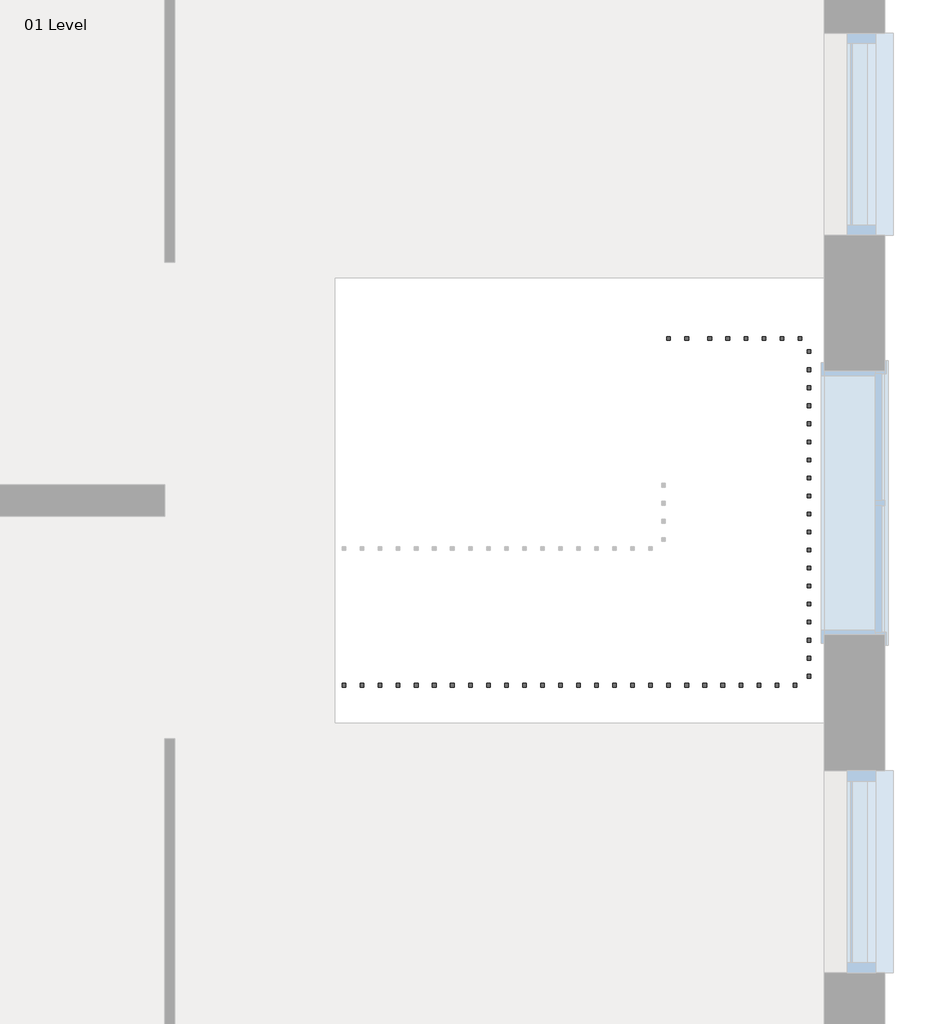
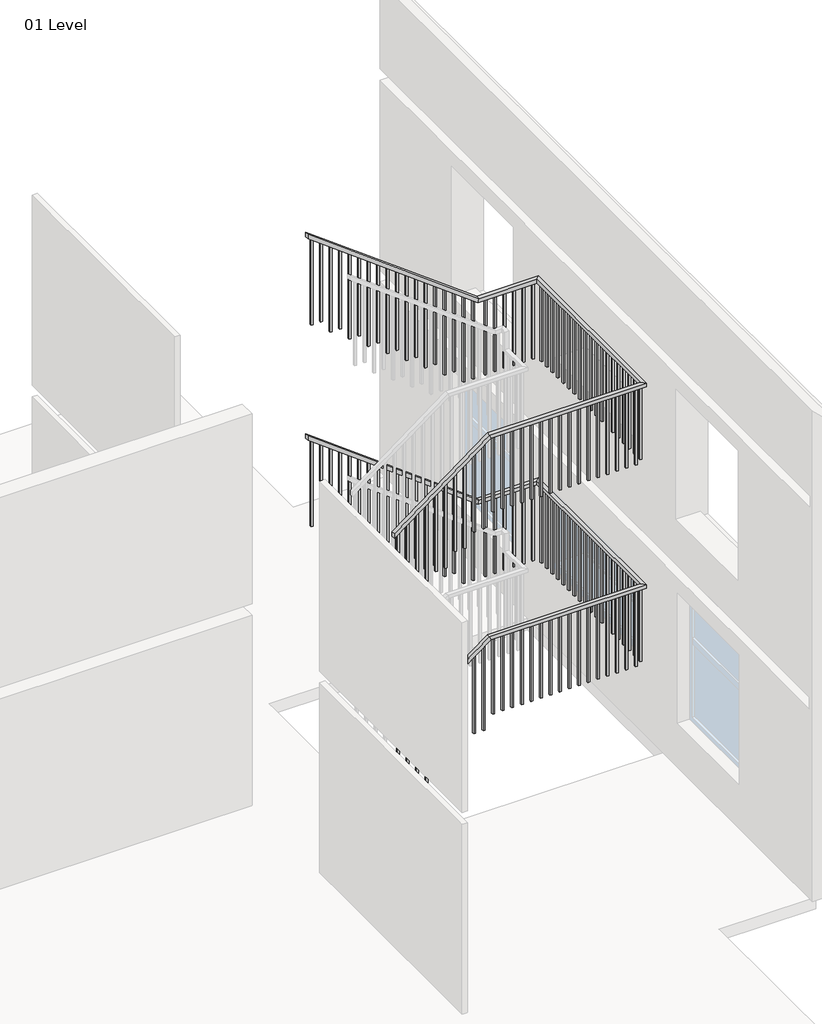
# One storey, part 3 of 4: 1 railing.
"""IFC4 building model written with IfcOpenShell, lengths in millimetres."""

from ifc_helpers import new_model, si_unit, frame, origin, place, context, project, spatial, polyline, outline, extrude, faceted_brep, element, save

model = new_model("IFC4")

# Units and contexts
model_context = context("Model", 3, world=origin())
ifc_project = project(units=[si_unit("LENGTHUNIT", "METRE", prefix="MILLI")], contexts=[model_context])

# Site, building, storey
site = spatial("IfcSite", under=ifc_project)
building = spatial("IfcBuilding", under=site)
storey = spatial("IfcBuildingStorey", under=building, Name="01 Level", Elevation=2600.0)

# Railing
placement = place(None, origin())
element("IfcRailing", 1, ObjectType="1100mm", at=placement, inside=storey, context=model_context, shape_type="SolidModel", body=[
    faceted_brep([(-224658.2260772, -43739.9584255, 6686.6666667), (-224658.2260772, -43739.9584255, 6624.2665242), (-224658.2260772, -43789.9584255, 6624.2665242), (-224658.2260772, -43789.9584255, 6686.6666667), (-223408.2260772, -43739.9584255, 7620.0), (-223391.6187436, -43739.9584255, 7570.0), (-223391.6187436, -43789.9584255, 7570.0), (-223408.2260772, -43789.9584255, 7620.0), (-221398.6260772, -43739.9584255, 7620.0), (-221398.6260772, -43739.9584255, 7570.0), (-221348.6260772, -43789.9584255, 7570.0), (-221348.6260772, -43789.9584255, 7620.0), (-221398.6260772, -41387.4873182, 7620.0), (-221398.6260772, -41387.4873182, 7570.0), (-221348.6260772, -41337.4873182, 7570.0), (-221348.6260772, -41337.4873182, 7620.0), (-222158.2260772, -41387.4873182, 7620.0), (-222174.8334109, -41387.4873182, 7570.0), (-222174.8334109, -41337.4873182, 7570.0), (-222158.2260772, -41337.4873182, 7620.0), (-224408.2260772, -41387.4873182, 9300.0), (-224408.2260772, -41337.4873182, 9300.0), (-224408.2260772, -41337.4873182, 9237.5998576), (-224408.2260772, -41387.4873182, 9237.5998576)], [[[0, 1, 2, 3]], [[1, 0, 4, 5]], [[2, 1, 5, 6]], [[3, 2, 6, 7]], [[0, 3, 7, 4]], [[5, 4, 8, 9]], [[6, 5, 9, 10]], [[7, 6, 10, 11]], [[4, 7, 11, 8]], [[9, 8, 12, 13]], [[10, 9, 13, 14]], [[11, 10, 14, 15]], [[8, 11, 15, 12]], [[13, 12, 16, 17]], [[14, 13, 17, 18]], [[15, 14, 18, 19]], [[12, 15, 19, 16]], [[20, 21, 22, 23]], [[17, 16, 20, 23]], [[18, 17, 23, 22]], [[19, 18, 22, 21]], [[16, 19, 21, 20]]]),
    faceted_brep([(-224658.2260772, -43739.9584255, 3886.6666666), (-224658.2260772, -43739.9584255, 3824.2665242), (-224658.2260772, -43789.9584255, 3824.2665242), (-224658.2260772, -43789.9584255, 3886.6666666), (-223408.2260772, -43739.9584255, 4820.0), (-223391.6187436, -43739.9584255, 4770.0), (-223391.6187436, -43789.9584255, 4770.0), (-223408.2260772, -43789.9584255, 4820.0), (-221398.6260772, -43739.9584255, 4820.0), (-221398.6260772, -43739.9584255, 4770.0), (-221348.6260772, -43789.9584255, 4770.0), (-221348.6260772, -43789.9584255, 4820.0), (-221398.6260772, -41387.4873182, 4820.0), (-221398.6260772, -41387.4873182, 4770.0), (-221348.6260772, -41337.4873182, 4770.0), (-221348.6260772, -41337.4873182, 4820.0), (-222158.2260772, -41387.4873182, 4820.0), (-222174.8334109, -41387.4873182, 4770.0), (-222174.8334109, -41337.4873182, 4770.0), (-222158.2260772, -41337.4873182, 4820.0), (-224408.2260772, -41387.4873182, 6500.0), (-224408.2260772, -41337.4873182, 6500.0), (-224408.2260772, -41337.4873182, 6437.5998575), (-224408.2260772, -41387.4873182, 6437.5998575)], [[[0, 1, 2, 3]], [[1, 0, 4, 5]], [[2, 1, 5, 6]], [[3, 2, 6, 7]], [[0, 3, 7, 4]], [[5, 4, 8, 9]], [[6, 5, 9, 10]], [[7, 6, 10, 11]], [[4, 7, 11, 8]], [[9, 8, 12, 13]], [[10, 9, 13, 14]], [[11, 10, 14, 15]], [[8, 11, 15, 12]], [[13, 12, 16, 17]], [[14, 13, 17, 18]], [[15, 14, 18, 19]], [[12, 15, 19, 16]], [[20, 21, 22, 23]], [[17, 16, 20, 23]], [[18, 17, 23, 22]], [[19, 18, 22, 21]], [[16, 19, 21, 20]]]),
    extrude(outline(polyline([(8013.3333333, -224333.2260772), (9181.5998576, -224333.2260772), (9200.2665242, -224358.2260772), (8013.3333333, -224358.2260772), (8013.3333333, -224333.2260772)])), frame((0.0, -41374.9873182, 0.0), z_axis=(0.0, 1.0, 0.0), x_axis=(0.0, 0.0, 1.0)), (0.0, 0.0, 1.0), 25.0),
    extrude(outline(polyline([(8013.3333333, -224208.2260772), (9088.2665242, -224208.2260772), (9106.9331909, -224233.2260772), (8013.3333333, -224233.2260772), (8013.3333333, -224208.2260772)])), frame((0.0, -41374.9873182, 0.0), z_axis=(0.0, 1.0, 0.0), x_axis=(0.0, 0.0, 1.0)), (0.0, 0.0, 1.0), 25.0),
    extrude(outline(polyline([(7826.6666667, -224083.2260772), (8994.9331909, -224083.2260772), (9013.5998576, -224108.2260772), (7826.6666667, -224108.2260772), (7826.6666667, -224083.2260772)])), frame((0.0, -41374.9873182, 0.0), z_axis=(0.0, 1.0, 0.0), x_axis=(0.0, 0.0, 1.0)), (0.0, 0.0, 1.0), 25.0),
    extrude(outline(polyline([(7826.6666667, -223958.2260772), (8901.5998576, -223958.2260772), (8920.2665242, -223983.2260772), (7826.6666667, -223983.2260772), (7826.6666667, -223958.2260772)])), frame((0.0, -41374.9873182, 0.0), z_axis=(0.0, 1.0, 0.0), x_axis=(0.0, 0.0, 1.0)), (0.0, 0.0, 1.0), 25.0),
    extrude(outline(polyline([(7640.0, -223833.2260772), (8808.2665242, -223833.2260772), (8826.9331909, -223858.2260772), (7640.0, -223858.2260772), (7640.0, -223833.2260772)])), frame((0.0, -41374.9873182, 0.0), z_axis=(0.0, 1.0, 0.0), x_axis=(0.0, 0.0, 1.0)), (0.0, 0.0, 1.0), 25.0),
    extrude(outline(polyline([(7640.0, -223708.2260772), (8714.9331909, -223708.2260772), (8733.5998576, -223733.2260772), (7640.0, -223733.2260772), (7640.0, -223708.2260772)])), frame((0.0, -41374.9873182, 0.0), z_axis=(0.0, 1.0, 0.0), x_axis=(0.0, 0.0, 1.0)), (0.0, 0.0, 1.0), 25.0),
    extrude(outline(polyline([(7453.3333333, -223583.2260772), (8621.5998576, -223583.2260772), (8640.2665242, -223608.2260772), (7453.3333333, -223608.2260772), (7453.3333333, -223583.2260772)])), frame((0.0, -41374.9873182, 0.0), z_axis=(0.0, 1.0, 0.0), x_axis=(0.0, 0.0, 1.0)), (0.0, 0.0, 1.0), 25.0),
    extrude(outline(polyline([(7453.3333333, -223458.2260772), (8528.2665242, -223458.2260772), (8546.9331909, -223483.2260772), (7453.3333333, -223483.2260772), (7453.3333333, -223458.2260772)])), frame((0.0, -41374.9873182, 0.0), z_axis=(0.0, 1.0, 0.0), x_axis=(0.0, 0.0, 1.0)), (0.0, 0.0, 1.0), 25.0),
    extrude(outline(polyline([(7266.6666667, -223333.2260772), (8434.9331909, -223333.2260772), (8453.5998576, -223358.2260772), (7266.6666667, -223358.2260772), (7266.6666667, -223333.2260772)])), frame((0.0, -41374.9873182, 0.0), z_axis=(0.0, 1.0, 0.0), x_axis=(0.0, 0.0, 1.0)), (0.0, 0.0, 1.0), 25.0),
    extrude(outline(polyline([(7266.6666667, -223208.2260772), (8341.5998576, -223208.2260772), (8360.2665242, -223233.2260772), (7266.6666667, -223233.2260772), (7266.6666667, -223208.2260772)])), frame((0.0, -41374.9873182, 0.0), z_axis=(0.0, 1.0, 0.0), x_axis=(0.0, 0.0, 1.0)), (0.0, 0.0, 1.0), 25.0),
    extrude(outline(polyline([(7080.0, -223083.2260772), (8248.2665242, -223083.2260772), (8266.9331909, -223108.2260772), (7080.0, -223108.2260772), (7080.0, -223083.2260772)])), frame((0.0, -41374.9873182, 0.0), z_axis=(0.0, 1.0, 0.0), x_axis=(0.0, 0.0, 1.0)), (0.0, 0.0, 1.0), 25.0),
    extrude(outline(polyline([(7080.0, -222958.2260772), (8154.9331909, -222958.2260772), (8173.5998576, -222983.2260772), (7080.0, -222983.2260772), (7080.0, -222958.2260772)])), frame((0.0, -41374.9873182, 0.0), z_axis=(0.0, 1.0, 0.0), x_axis=(0.0, 0.0, 1.0)), (0.0, 0.0, 1.0), 25.0),
    extrude(outline(polyline([(6893.3333333, -222833.2260772), (8061.5998576, -222833.2260772), (8080.2665242, -222858.2260772), (6893.3333333, -222858.2260772), (6893.3333333, -222833.2260772)])), frame((0.0, -41374.9873182, 0.0), z_axis=(0.0, 1.0, 0.0), x_axis=(0.0, 0.0, 1.0)), (0.0, 0.0, 1.0), 25.0),
    extrude(outline(polyline([(6893.3333333, -222708.2260772), (7968.2665242, -222708.2260772), (7986.9331909, -222733.2260772), (6893.3333333, -222733.2260772), (6893.3333333, -222708.2260772)])), frame((0.0, -41374.9873182, 0.0), z_axis=(0.0, 1.0, 0.0), x_axis=(0.0, 0.0, 1.0)), (0.0, 0.0, 1.0), 25.0),
    extrude(outline(polyline([(6706.6666667, -222583.2260772), (7874.9331909, -222583.2260772), (7893.5998576, -222608.2260772), (6706.6666667, -222608.2260772), (6706.6666667, -222583.2260772)])), frame((0.0, -41374.9873182, 0.0), z_axis=(0.0, 1.0, 0.0), x_axis=(0.0, 0.0, 1.0)), (0.0, 0.0, 1.0), 25.0),
    extrude(outline(polyline([(6706.6666667, -222458.2260772), (7781.5998576, -222458.2260772), (7800.2665242, -222483.2260772), (6706.6666667, -222483.2260772), (6706.6666667, -222458.2260772)])), frame((0.0, -41374.9873182, 0.0), z_axis=(0.0, 1.0, 0.0), x_axis=(0.0, 0.0, 1.0)), (0.0, 0.0, 1.0), 25.0),
    extrude(outline(polyline([(6520.0, -222333.2260772), (7688.2665242, -222333.2260772), (7706.9331909, -222358.2260772), (6520.0, -222358.2260772), (6520.0, -222333.2260772)])), frame((0.0, -41374.9873182, 0.0), z_axis=(0.0, 1.0, 0.0), x_axis=(0.0, 0.0, 1.0)), (0.0, 0.0, 1.0), 25.0),
    extrude(outline(polyline([(6520.0, -222208.2260772), (7594.9331909, -222208.2260772), (7613.5998576, -222233.2260772), (6520.0, -222233.2260772), (6520.0, -222208.2260772)])), frame((0.0, -41374.9873182, 0.0), z_axis=(0.0, 1.0, 0.0), x_axis=(0.0, 0.0, 1.0)), (0.0, 0.0, 1.0), 25.0),
    extrude(outline(polyline([(-222048.6260772, -41349.9873182), (-222048.6260772, -41374.9873182), (-222073.6260772, -41374.9873182), (-222073.6260772, -41349.9873182), (-222048.6260772, -41349.9873182)])), frame((0.0, 0.0, 6520.0), z_axis=(0.0, 0.0, 1.0), x_axis=(1.0, 0.0, 0.0)), (0.0, 0.0, 1.0), 1050.0),
    extrude(outline(polyline([(-221923.6260772, -41349.9873182), (-221923.6260772, -41374.9873182), (-221948.6260772, -41374.9873182), (-221948.6260772, -41349.9873182), (-221923.6260772, -41349.9873182)])), frame((0.0, 0.0, 6520.0), z_axis=(0.0, 0.0, 1.0), x_axis=(1.0, 0.0, 0.0)), (0.0, 0.0, 1.0), 1050.0),
    extrude(outline(polyline([(-221798.6260772, -41349.9873182), (-221798.6260772, -41374.9873182), (-221823.6260772, -41374.9873182), (-221823.6260772, -41349.9873182), (-221798.6260772, -41349.9873182)])), frame((0.0, 0.0, 6520.0), z_axis=(0.0, 0.0, 1.0), x_axis=(1.0, 0.0, 0.0)), (0.0, 0.0, 1.0), 1050.0),
    extrude(outline(polyline([(-221673.6260772, -41349.9873182), (-221673.6260772, -41374.9873182), (-221698.6260772, -41374.9873182), (-221698.6260772, -41349.9873182), (-221673.6260772, -41349.9873182)])), frame((0.0, 0.0, 6520.0), z_axis=(0.0, 0.0, 1.0), x_axis=(1.0, 0.0, 0.0)), (0.0, 0.0, 1.0), 1050.0),
    extrude(outline(polyline([(-221548.6260772, -41349.9873182), (-221548.6260772, -41374.9873182), (-221573.6260772, -41374.9873182), (-221573.6260772, -41349.9873182), (-221548.6260772, -41349.9873182)])), frame((0.0, 0.0, 6520.0), z_axis=(0.0, 0.0, 1.0), x_axis=(1.0, 0.0, 0.0)), (0.0, 0.0, 1.0), 1050.0),
    extrude(outline(polyline([(-221423.6260772, -41349.9873182), (-221423.6260772, -41374.9873182), (-221448.6260772, -41374.9873182), (-221448.6260772, -41349.9873182), (-221423.6260772, -41349.9873182)])), frame((0.0, 0.0, 6520.0), z_axis=(0.0, 0.0, 1.0), x_axis=(1.0, 0.0, 0.0)), (0.0, 0.0, 1.0), 1050.0),
    extrude(outline(polyline([(-221361.1260772, -41464.9584255), (-221386.1260772, -41464.9584255), (-221386.1260772, -41439.9584255), (-221361.1260772, -41439.9584255), (-221361.1260772, -41464.9584255)])), frame((0.0, 0.0, 6520.0), z_axis=(0.0, 0.0, 1.0), x_axis=(1.0, 0.0, 0.0)), (0.0, 0.0, 1.0), 1050.0),
    extrude(outline(polyline([(-221361.1260772, -41589.9584255), (-221386.1260772, -41589.9584255), (-221386.1260772, -41564.9584255), (-221361.1260772, -41564.9584255), (-221361.1260772, -41589.9584255)])), frame((0.0, 0.0, 6520.0), z_axis=(0.0, 0.0, 1.0), x_axis=(1.0, 0.0, 0.0)), (0.0, 0.0, 1.0), 1050.0),
    extrude(outline(polyline([(-221361.1260772, -41714.9584255), (-221386.1260772, -41714.9584255), (-221386.1260772, -41689.9584255), (-221361.1260772, -41689.9584255), (-221361.1260772, -41714.9584255)])), frame((0.0, 0.0, 6520.0), z_axis=(0.0, 0.0, 1.0), x_axis=(1.0, 0.0, 0.0)), (0.0, 0.0, 1.0), 1050.0),
    extrude(outline(polyline([(-221361.1260772, -41839.9584255), (-221386.1260772, -41839.9584255), (-221386.1260772, -41814.9584255), (-221361.1260772, -41814.9584255), (-221361.1260772, -41839.9584255)])), frame((0.0, 0.0, 6520.0), z_axis=(0.0, 0.0, 1.0), x_axis=(1.0, 0.0, 0.0)), (0.0, 0.0, 1.0), 1050.0),
    extrude(outline(polyline([(-221361.1260772, -41964.9584255), (-221386.1260772, -41964.9584255), (-221386.1260772, -41939.9584255), (-221361.1260772, -41939.9584255), (-221361.1260772, -41964.9584255)])), frame((0.0, 0.0, 6520.0), z_axis=(0.0, 0.0, 1.0), x_axis=(1.0, 0.0, 0.0)), (0.0, 0.0, 1.0), 1050.0),
    extrude(outline(polyline([(-221361.1260772, -42089.9584255), (-221386.1260772, -42089.9584255), (-221386.1260772, -42064.9584255), (-221361.1260772, -42064.9584255), (-221361.1260772, -42089.9584255)])), frame((0.0, 0.0, 6520.0), z_axis=(0.0, 0.0, 1.0), x_axis=(1.0, 0.0, 0.0)), (0.0, 0.0, 1.0), 1050.0),
    extrude(outline(polyline([(-221361.1260772, -42214.9584255), (-221386.1260772, -42214.9584255), (-221386.1260772, -42189.9584255), (-221361.1260772, -42189.9584255), (-221361.1260772, -42214.9584255)])), frame((0.0, 0.0, 6520.0), z_axis=(0.0, 0.0, 1.0), x_axis=(1.0, 0.0, 0.0)), (0.0, 0.0, 1.0), 1050.0),
    extrude(outline(polyline([(-221361.1260772, -42339.9584255), (-221386.1260772, -42339.9584255), (-221386.1260772, -42314.9584255), (-221361.1260772, -42314.9584255), (-221361.1260772, -42339.9584255)])), frame((0.0, 0.0, 6520.0), z_axis=(0.0, 0.0, 1.0), x_axis=(1.0, 0.0, 0.0)), (0.0, 0.0, 1.0), 1050.0),
    extrude(outline(polyline([(-221361.1260772, -42464.9584255), (-221386.1260772, -42464.9584255), (-221386.1260772, -42439.9584255), (-221361.1260772, -42439.9584255), (-221361.1260772, -42464.9584255)])), frame((0.0, 0.0, 6520.0), z_axis=(0.0, 0.0, 1.0), x_axis=(1.0, 0.0, 0.0)), (0.0, 0.0, 1.0), 1050.0),
    extrude(outline(polyline([(-221361.1260772, -42589.9584255), (-221386.1260772, -42589.9584255), (-221386.1260772, -42564.9584255), (-221361.1260772, -42564.9584255), (-221361.1260772, -42589.9584255)])), frame((0.0, 0.0, 6520.0), z_axis=(0.0, 0.0, 1.0), x_axis=(1.0, 0.0, 0.0)), (0.0, 0.0, 1.0), 1050.0),
    extrude(outline(polyline([(-221361.1260772, -42714.9584255), (-221386.1260772, -42714.9584255), (-221386.1260772, -42689.9584255), (-221361.1260772, -42689.9584255), (-221361.1260772, -42714.9584255)])), frame((0.0, 0.0, 6520.0), z_axis=(0.0, 0.0, 1.0), x_axis=(1.0, 0.0, 0.0)), (0.0, 0.0, 1.0), 1050.0),
    extrude(outline(polyline([(-221361.1260772, -42839.9584255), (-221386.1260772, -42839.9584255), (-221386.1260772, -42814.9584255), (-221361.1260772, -42814.9584255), (-221361.1260772, -42839.9584255)])), frame((0.0, 0.0, 6520.0), z_axis=(0.0, 0.0, 1.0), x_axis=(1.0, 0.0, 0.0)), (0.0, 0.0, 1.0), 1050.0),
    extrude(outline(polyline([(-221361.1260772, -42964.9584255), (-221386.1260772, -42964.9584255), (-221386.1260772, -42939.9584255), (-221361.1260772, -42939.9584255), (-221361.1260772, -42964.9584255)])), frame((0.0, 0.0, 6520.0), z_axis=(0.0, 0.0, 1.0), x_axis=(1.0, 0.0, 0.0)), (0.0, 0.0, 1.0), 1050.0),
    extrude(outline(polyline([(-221361.1260772, -43089.9584255), (-221386.1260772, -43089.9584255), (-221386.1260772, -43064.9584255), (-221361.1260772, -43064.9584255), (-221361.1260772, -43089.9584255)])), frame((0.0, 0.0, 6520.0), z_axis=(0.0, 0.0, 1.0), x_axis=(1.0, 0.0, 0.0)), (0.0, 0.0, 1.0), 1050.0),
    extrude(outline(polyline([(-221361.1260772, -43214.9584255), (-221386.1260772, -43214.9584255), (-221386.1260772, -43189.9584255), (-221361.1260772, -43189.9584255), (-221361.1260772, -43214.9584255)])), frame((0.0, 0.0, 6520.0), z_axis=(0.0, 0.0, 1.0), x_axis=(1.0, 0.0, 0.0)), (0.0, 0.0, 1.0), 1050.0),
    extrude(outline(polyline([(-221361.1260772, -43339.9584255), (-221386.1260772, -43339.9584255), (-221386.1260772, -43314.9584255), (-221361.1260772, -43314.9584255), (-221361.1260772, -43339.9584255)])), frame((0.0, 0.0, 6520.0), z_axis=(0.0, 0.0, 1.0), x_axis=(1.0, 0.0, 0.0)), (0.0, 0.0, 1.0), 1050.0),
    extrude(outline(polyline([(-221361.1260772, -43464.9584255), (-221386.1260772, -43464.9584255), (-221386.1260772, -43439.9584255), (-221361.1260772, -43439.9584255), (-221361.1260772, -43464.9584255)])), frame((0.0, 0.0, 6520.0), z_axis=(0.0, 0.0, 1.0), x_axis=(1.0, 0.0, 0.0)), (0.0, 0.0, 1.0), 1050.0),
    extrude(outline(polyline([(-221361.1260772, -43589.9584255), (-221386.1260772, -43589.9584255), (-221386.1260772, -43564.9584255), (-221361.1260772, -43564.9584255), (-221361.1260772, -43589.9584255)])), frame((0.0, 0.0, 6520.0), z_axis=(0.0, 0.0, 1.0), x_axis=(1.0, 0.0, 0.0)), (0.0, 0.0, 1.0), 1050.0),
    extrude(outline(polyline([(-221361.1260772, -43714.9584255), (-221386.1260772, -43714.9584255), (-221386.1260772, -43689.9584255), (-221361.1260772, -43689.9584255), (-221361.1260772, -43714.9584255)])), frame((0.0, 0.0, 6520.0), z_axis=(0.0, 0.0, 1.0), x_axis=(1.0, 0.0, 0.0)), (0.0, 0.0, 1.0), 1050.0),
    extrude(outline(polyline([(-221483.2260772, -43777.4584255), (-221483.2260772, -43752.4584255), (-221458.2260772, -43752.4584255), (-221458.2260772, -43777.4584255), (-221483.2260772, -43777.4584255)])), frame((0.0, 0.0, 6520.0), z_axis=(0.0, 0.0, 1.0), x_axis=(1.0, 0.0, 0.0)), (0.0, 0.0, 1.0), 1050.0),
    extrude(outline(polyline([(-221608.2260772, -43777.4584255), (-221608.2260772, -43752.4584255), (-221583.2260772, -43752.4584255), (-221583.2260772, -43777.4584255), (-221608.2260772, -43777.4584255)])), frame((0.0, 0.0, 6520.0), z_axis=(0.0, 0.0, 1.0), x_axis=(1.0, 0.0, 0.0)), (0.0, 0.0, 1.0), 1050.0),
    extrude(outline(polyline([(-221733.2260772, -43777.4584255), (-221733.2260772, -43752.4584255), (-221708.2260772, -43752.4584255), (-221708.2260772, -43777.4584255), (-221733.2260772, -43777.4584255)])), frame((0.0, 0.0, 6520.0), z_axis=(0.0, 0.0, 1.0), x_axis=(1.0, 0.0, 0.0)), (0.0, 0.0, 1.0), 1050.0),
    extrude(outline(polyline([(-221858.2260772, -43777.4584255), (-221858.2260772, -43752.4584255), (-221833.2260772, -43752.4584255), (-221833.2260772, -43777.4584255), (-221858.2260772, -43777.4584255)])), frame((0.0, 0.0, 6520.0), z_axis=(0.0, 0.0, 1.0), x_axis=(1.0, 0.0, 0.0)), (0.0, 0.0, 1.0), 1050.0),
    extrude(outline(polyline([(-221983.2260772, -43777.4584255), (-221983.2260772, -43752.4584255), (-221958.2260772, -43752.4584255), (-221958.2260772, -43777.4584255), (-221983.2260772, -43777.4584255)])), frame((0.0, 0.0, 6520.0), z_axis=(0.0, 0.0, 1.0), x_axis=(1.0, 0.0, 0.0)), (0.0, 0.0, 1.0), 1050.0),
    extrude(outline(polyline([(-222108.2260772, -43777.4584255), (-222108.2260772, -43752.4584255), (-222083.2260772, -43752.4584255), (-222083.2260772, -43777.4584255), (-222108.2260772, -43777.4584255)])), frame((0.0, 0.0, 6520.0), z_axis=(0.0, 0.0, 1.0), x_axis=(1.0, 0.0, 0.0)), (0.0, 0.0, 1.0), 1050.0),
    extrude(outline(polyline([(-222233.2260772, -43777.4584255), (-222233.2260772, -43752.4584255), (-222208.2260772, -43752.4584255), (-222208.2260772, -43777.4584255), (-222233.2260772, -43777.4584255)])), frame((0.0, 0.0, 6520.0), z_axis=(0.0, 0.0, 1.0), x_axis=(1.0, 0.0, 0.0)), (0.0, 0.0, 1.0), 1050.0),
    extrude(outline(polyline([(-222358.2260772, -43777.4584255), (-222358.2260772, -43752.4584255), (-222333.2260772, -43752.4584255), (-222333.2260772, -43777.4584255), (-222358.2260772, -43777.4584255)])), frame((0.0, 0.0, 6520.0), z_axis=(0.0, 0.0, 1.0), x_axis=(1.0, 0.0, 0.0)), (0.0, 0.0, 1.0), 1050.0),
    extrude(outline(polyline([(-222483.2260772, -43777.4584255), (-222483.2260772, -43752.4584255), (-222458.2260772, -43752.4584255), (-222458.2260772, -43777.4584255), (-222483.2260772, -43777.4584255)])), frame((0.0, 0.0, 6520.0), z_axis=(0.0, 0.0, 1.0), x_axis=(1.0, 0.0, 0.0)), (0.0, 0.0, 1.0), 1050.0),
    extrude(outline(polyline([(-222608.2260772, -43777.4584255), (-222608.2260772, -43752.4584255), (-222583.2260772, -43752.4584255), (-222583.2260772, -43777.4584255), (-222608.2260772, -43777.4584255)])), frame((0.0, 0.0, 6520.0), z_axis=(0.0, 0.0, 1.0), x_axis=(1.0, 0.0, 0.0)), (0.0, 0.0, 1.0), 1050.0),
    extrude(outline(polyline([(-222733.2260772, -43777.4584255), (-222733.2260772, -43752.4584255), (-222708.2260772, -43752.4584255), (-222708.2260772, -43777.4584255), (-222733.2260772, -43777.4584255)])), frame((0.0, 0.0, 6520.0), z_axis=(0.0, 0.0, 1.0), x_axis=(1.0, 0.0, 0.0)), (0.0, 0.0, 1.0), 1050.0),
    extrude(outline(polyline([(-222858.2260772, -43777.4584255), (-222858.2260772, -43752.4584255), (-222833.2260772, -43752.4584255), (-222833.2260772, -43777.4584255), (-222858.2260772, -43777.4584255)])), frame((0.0, 0.0, 6520.0), z_axis=(0.0, 0.0, 1.0), x_axis=(1.0, 0.0, 0.0)), (0.0, 0.0, 1.0), 1050.0),
    extrude(outline(polyline([(-222983.2260772, -43777.4584255), (-222983.2260772, -43752.4584255), (-222958.2260772, -43752.4584255), (-222958.2260772, -43777.4584255), (-222983.2260772, -43777.4584255)])), frame((0.0, 0.0, 6520.0), z_axis=(0.0, 0.0, 1.0), x_axis=(1.0, 0.0, 0.0)), (0.0, 0.0, 1.0), 1050.0),
    extrude(outline(polyline([(-223108.2260772, -43777.4584255), (-223108.2260772, -43752.4584255), (-223083.2260772, -43752.4584255), (-223083.2260772, -43777.4584255), (-223108.2260772, -43777.4584255)])), frame((0.0, 0.0, 6520.0), z_axis=(0.0, 0.0, 1.0), x_axis=(1.0, 0.0, 0.0)), (0.0, 0.0, 1.0), 1050.0),
    extrude(outline(polyline([(-223233.2260772, -43777.4584255), (-223233.2260772, -43752.4584255), (-223208.2260772, -43752.4584255), (-223208.2260772, -43777.4584255), (-223233.2260772, -43777.4584255)])), frame((0.0, 0.0, 6520.0), z_axis=(0.0, 0.0, 1.0), x_axis=(1.0, 0.0, 0.0)), (0.0, 0.0, 1.0), 1050.0),
    extrude(outline(polyline([(-223358.2260772, -43777.4584255), (-223358.2260772, -43752.4584255), (-223333.2260772, -43752.4584255), (-223333.2260772, -43777.4584255), (-223358.2260772, -43777.4584255)])), frame((0.0, 0.0, 6520.0), z_axis=(0.0, 0.0, 1.0), x_axis=(1.0, 0.0, 0.0)), (0.0, 0.0, 1.0), 1050.0),
    extrude(outline(polyline([(7501.5998576, -223483.2260772), (6333.3333333, -223483.2260772), (6333.3333333, -223458.2260772), (7520.2665242, -223458.2260772), (7501.5998576, -223483.2260772)])), frame((0.0, -43777.4584255, 0.0), z_axis=(0.0, 1.0, 0.0), x_axis=(0.0, 0.0, 1.0)), (0.0, 0.0, 1.0), 25.0),
    extrude(outline(polyline([(7408.2665242, -223608.2260772), (6333.3333333, -223608.2260772), (6333.3333333, -223583.2260772), (7426.9331909, -223583.2260772), (7408.2665242, -223608.2260772)])), frame((0.0, -43777.4584255, 0.0), z_axis=(0.0, 1.0, 0.0), x_axis=(0.0, 0.0, 1.0)), (0.0, 0.0, 1.0), 25.0),
    extrude(outline(polyline([(7314.9331909, -223733.2260772), (6146.6666667, -223733.2260772), (6146.6666667, -223708.2260772), (7333.5998576, -223708.2260772), (7314.9331909, -223733.2260772)])), frame((0.0, -43777.4584255, 0.0), z_axis=(0.0, 1.0, 0.0), x_axis=(0.0, 0.0, 1.0)), (0.0, 0.0, 1.0), 25.0),
    extrude(outline(polyline([(7221.5998576, -223858.2260772), (6146.6666667, -223858.2260772), (6146.6666667, -223833.2260772), (7240.2665242, -223833.2260772), (7221.5998576, -223858.2260772)])), frame((0.0, -43777.4584255, 0.0), z_axis=(0.0, 1.0, 0.0), x_axis=(0.0, 0.0, 1.0)), (0.0, 0.0, 1.0), 25.0),
    extrude(outline(polyline([(7128.2665242, -223983.2260772), (5960.0, -223983.2260772), (5960.0, -223958.2260772), (7146.9331909, -223958.2260772), (7128.2665242, -223983.2260772)])), frame((0.0, -43777.4584255, 0.0), z_axis=(0.0, 1.0, 0.0), x_axis=(0.0, 0.0, 1.0)), (0.0, 0.0, 1.0), 25.0),
    extrude(outline(polyline([(7034.9331909, -224108.2260772), (5960.0, -224108.2260772), (5960.0, -224083.2260772), (7053.5998576, -224083.2260772), (7034.9331909, -224108.2260772)])), frame((0.0, -43777.4584255, 0.0), z_axis=(0.0, 1.0, 0.0), x_axis=(0.0, 0.0, 1.0)), (0.0, 0.0, 1.0), 25.0),
    extrude(outline(polyline([(6941.5998576, -224233.2260772), (5773.3333333, -224233.2260772), (5773.3333333, -224208.2260772), (6960.2665242, -224208.2260772), (6941.5998576, -224233.2260772)])), frame((0.0, -43777.4584255, 0.0), z_axis=(0.0, 1.0, 0.0), x_axis=(0.0, 0.0, 1.0)), (0.0, 0.0, 1.0), 25.0),
    extrude(outline(polyline([(6848.2665242, -224358.2260772), (5773.3333333, -224358.2260772), (5773.3333333, -224333.2260772), (6866.9331909, -224333.2260772), (6848.2665242, -224358.2260772)])), frame((0.0, -43777.4584255, 0.0), z_axis=(0.0, 1.0, 0.0), x_axis=(0.0, 0.0, 1.0)), (0.0, 0.0, 1.0), 25.0),
    extrude(outline(polyline([(6754.9331909, -224483.2260772), (5586.6666667, -224483.2260772), (5586.6666667, -224458.2260772), (6773.5998576, -224458.2260772), (6754.9331909, -224483.2260772)])), frame((0.0, -43777.4584255, 0.0), z_axis=(0.0, 1.0, 0.0), x_axis=(0.0, 0.0, 1.0)), (0.0, 0.0, 1.0), 25.0),
    extrude(outline(polyline([(6661.5998576, -224608.2260772), (5586.6666667, -224608.2260772), (5586.6666667, -224583.2260772), (6680.2665242, -224583.2260772), (6661.5998576, -224608.2260772)])), frame((0.0, -43777.4584255, 0.0), z_axis=(0.0, 1.0, 0.0), x_axis=(0.0, 0.0, 1.0)), (0.0, 0.0, 1.0), 25.0),
    extrude(outline(polyline([(5213.3333333, -224333.2260772), (6381.5998575, -224333.2260772), (6400.2665242, -224358.2260772), (5213.3333333, -224358.2260772), (5213.3333333, -224333.2260772)])), frame((0.0, -41374.9873182, 0.0), z_axis=(0.0, 1.0, 0.0), x_axis=(0.0, 0.0, 1.0)), (0.0, 0.0, 1.0), 25.0),
    extrude(outline(polyline([(5213.3333333, -224208.2260772), (6288.2665242, -224208.2260772), (6306.9331909, -224233.2260772), (5213.3333333, -224233.2260772), (5213.3333333, -224208.2260772)])), frame((0.0, -41374.9873182, 0.0), z_axis=(0.0, 1.0, 0.0), x_axis=(0.0, 0.0, 1.0)), (0.0, 0.0, 1.0), 25.0),
    extrude(outline(polyline([(5026.6666666, -224083.2260772), (6194.9331909, -224083.2260772), (6213.5998575, -224108.2260772), (5026.6666666, -224108.2260772), (5026.6666666, -224083.2260772)])), frame((0.0, -41374.9873182, 0.0), z_axis=(0.0, 1.0, 0.0), x_axis=(0.0, 0.0, 1.0)), (0.0, 0.0, 1.0), 25.0),
    extrude(outline(polyline([(5026.6666666, -223958.2260772), (6101.5998575, -223958.2260772), (6120.2665242, -223983.2260772), (5026.6666666, -223983.2260772), (5026.6666666, -223958.2260772)])), frame((0.0, -41374.9873182, 0.0), z_axis=(0.0, 1.0, 0.0), x_axis=(0.0, 0.0, 1.0)), (0.0, 0.0, 1.0), 25.0),
    extrude(outline(polyline([(4840.0, -223833.2260772), (6008.2665242, -223833.2260772), (6026.9331909, -223858.2260772), (4840.0, -223858.2260772), (4840.0, -223833.2260772)])), frame((0.0, -41374.9873182, 0.0), z_axis=(0.0, 1.0, 0.0), x_axis=(0.0, 0.0, 1.0)), (0.0, 0.0, 1.0), 25.0),
    extrude(outline(polyline([(4840.0, -223708.2260772), (5914.9331909, -223708.2260772), (5933.5998575, -223733.2260772), (4840.0, -223733.2260772), (4840.0, -223708.2260772)])), frame((0.0, -41374.9873182, 0.0), z_axis=(0.0, 1.0, 0.0), x_axis=(0.0, 0.0, 1.0)), (0.0, 0.0, 1.0), 25.0),
    extrude(outline(polyline([(4653.3333333, -223583.2260772), (5821.5998575, -223583.2260772), (5840.2665242, -223608.2260772), (4653.3333333, -223608.2260772), (4653.3333333, -223583.2260772)])), frame((0.0, -41374.9873182, 0.0), z_axis=(0.0, 1.0, 0.0), x_axis=(0.0, 0.0, 1.0)), (0.0, 0.0, 1.0), 25.0),
    extrude(outline(polyline([(4653.3333333, -223458.2260772), (5728.2665242, -223458.2260772), (5746.9331909, -223483.2260772), (4653.3333333, -223483.2260772), (4653.3333333, -223458.2260772)])), frame((0.0, -41374.9873182, 0.0), z_axis=(0.0, 1.0, 0.0), x_axis=(0.0, 0.0, 1.0)), (0.0, 0.0, 1.0), 25.0),
    extrude(outline(polyline([(4466.6666666, -223333.2260772), (5634.9331909, -223333.2260772), (5653.5998575, -223358.2260772), (4466.6666666, -223358.2260772), (4466.6666666, -223333.2260772)])), frame((0.0, -41374.9873182, 0.0), z_axis=(0.0, 1.0, 0.0), x_axis=(0.0, 0.0, 1.0)), (0.0, 0.0, 1.0), 25.0),
    extrude(outline(polyline([(4466.6666666, -223208.2260772), (5541.5998575, -223208.2260772), (5560.2665242, -223233.2260772), (4466.6666666, -223233.2260772), (4466.6666666, -223208.2260772)])), frame((0.0, -41374.9873182, 0.0), z_axis=(0.0, 1.0, 0.0), x_axis=(0.0, 0.0, 1.0)), (0.0, 0.0, 1.0), 25.0),
    extrude(outline(polyline([(4280.0, -223083.2260772), (5448.2665242, -223083.2260772), (5466.9331909, -223108.2260772), (4280.0, -223108.2260772), (4280.0, -223083.2260772)])), frame((0.0, -41374.9873182, 0.0), z_axis=(0.0, 1.0, 0.0), x_axis=(0.0, 0.0, 1.0)), (0.0, 0.0, 1.0), 25.0),
    extrude(outline(polyline([(4280.0, -222958.2260772), (5354.9331909, -222958.2260772), (5373.5998575, -222983.2260772), (4280.0, -222983.2260772), (4280.0, -222958.2260772)])), frame((0.0, -41374.9873182, 0.0), z_axis=(0.0, 1.0, 0.0), x_axis=(0.0, 0.0, 1.0)), (0.0, 0.0, 1.0), 25.0),
    extrude(outline(polyline([(4093.3333333, -222833.2260772), (5261.5998575, -222833.2260772), (5280.2665242, -222858.2260772), (4093.3333333, -222858.2260772), (4093.3333333, -222833.2260772)])), frame((0.0, -41374.9873182, 0.0), z_axis=(0.0, 1.0, 0.0), x_axis=(0.0, 0.0, 1.0)), (0.0, 0.0, 1.0), 25.0),
    extrude(outline(polyline([(4093.3333333, -222708.2260772), (5168.2665242, -222708.2260772), (5186.9331909, -222733.2260772), (4093.3333333, -222733.2260772), (4093.3333333, -222708.2260772)])), frame((0.0, -41374.9873182, 0.0), z_axis=(0.0, 1.0, 0.0), x_axis=(0.0, 0.0, 1.0)), (0.0, 0.0, 1.0), 25.0),
    extrude(outline(polyline([(3906.6666666, -222583.2260772), (5074.9331909, -222583.2260772), (5093.5998575, -222608.2260772), (3906.6666666, -222608.2260772), (3906.6666666, -222583.2260772)])), frame((0.0, -41374.9873182, 0.0), z_axis=(0.0, 1.0, 0.0), x_axis=(0.0, 0.0, 1.0)), (0.0, 0.0, 1.0), 25.0),
    extrude(outline(polyline([(3906.6666666, -222458.2260772), (4981.5998575, -222458.2260772), (5000.2665242, -222483.2260772), (3906.6666666, -222483.2260772), (3906.6666666, -222458.2260772)])), frame((0.0, -41374.9873182, 0.0), z_axis=(0.0, 1.0, 0.0), x_axis=(0.0, 0.0, 1.0)), (0.0, 0.0, 1.0), 25.0),
    extrude(outline(polyline([(3720.0, -222333.2260772), (4888.2665242, -222333.2260772), (4906.9331909, -222358.2260772), (3720.0, -222358.2260772), (3720.0, -222333.2260772)])), frame((0.0, -41374.9873182, 0.0), z_axis=(0.0, 1.0, 0.0), x_axis=(0.0, 0.0, 1.0)), (0.0, 0.0, 1.0), 25.0),
    extrude(outline(polyline([(3720.0, -222208.2260772), (4794.9331909, -222208.2260772), (4813.5998575, -222233.2260772), (3720.0, -222233.2260772), (3720.0, -222208.2260772)])), frame((0.0, -41374.9873182, 0.0), z_axis=(0.0, 1.0, 0.0), x_axis=(0.0, 0.0, 1.0)), (0.0, 0.0, 1.0), 25.0),
    extrude(outline(polyline([(-222048.6260772, -41349.9873182), (-222048.6260772, -41374.9873182), (-222073.6260772, -41374.9873182), (-222073.6260772, -41349.9873182), (-222048.6260772, -41349.9873182)])), frame((0.0, 0.0, 3720.0), z_axis=(0.0, 0.0, 1.0), x_axis=(1.0, 0.0, 0.0)), (0.0, 0.0, 1.0), 1050.0),
    extrude(outline(polyline([(-221923.6260772, -41349.9873182), (-221923.6260772, -41374.9873182), (-221948.6260772, -41374.9873182), (-221948.6260772, -41349.9873182), (-221923.6260772, -41349.9873182)])), frame((0.0, 0.0, 3720.0), z_axis=(0.0, 0.0, 1.0), x_axis=(1.0, 0.0, 0.0)), (0.0, 0.0, 1.0), 1050.0),
    extrude(outline(polyline([(-221798.6260772, -41349.9873182), (-221798.6260772, -41374.9873182), (-221823.6260772, -41374.9873182), (-221823.6260772, -41349.9873182), (-221798.6260772, -41349.9873182)])), frame((0.0, 0.0, 3720.0), z_axis=(0.0, 0.0, 1.0), x_axis=(1.0, 0.0, 0.0)), (0.0, 0.0, 1.0), 1050.0),
    extrude(outline(polyline([(-221673.6260772, -41349.9873182), (-221673.6260772, -41374.9873182), (-221698.6260772, -41374.9873182), (-221698.6260772, -41349.9873182), (-221673.6260772, -41349.9873182)])), frame((0.0, 0.0, 3720.0), z_axis=(0.0, 0.0, 1.0), x_axis=(1.0, 0.0, 0.0)), (0.0, 0.0, 1.0), 1050.0),
    extrude(outline(polyline([(-221548.6260772, -41349.9873182), (-221548.6260772, -41374.9873182), (-221573.6260772, -41374.9873182), (-221573.6260772, -41349.9873182), (-221548.6260772, -41349.9873182)])), frame((0.0, 0.0, 3720.0), z_axis=(0.0, 0.0, 1.0), x_axis=(1.0, 0.0, 0.0)), (0.0, 0.0, 1.0), 1050.0),
    extrude(outline(polyline([(-221423.6260772, -41349.9873182), (-221423.6260772, -41374.9873182), (-221448.6260772, -41374.9873182), (-221448.6260772, -41349.9873182), (-221423.6260772, -41349.9873182)])), frame((0.0, 0.0, 3720.0), z_axis=(0.0, 0.0, 1.0), x_axis=(1.0, 0.0, 0.0)), (0.0, 0.0, 1.0), 1050.0),
    extrude(outline(polyline([(-221361.1260772, -41464.9584255), (-221386.1260772, -41464.9584255), (-221386.1260772, -41439.9584255), (-221361.1260772, -41439.9584255), (-221361.1260772, -41464.9584255)])), frame((0.0, 0.0, 3720.0), z_axis=(0.0, 0.0, 1.0), x_axis=(1.0, 0.0, 0.0)), (0.0, 0.0, 1.0), 1050.0),
    extrude(outline(polyline([(-221361.1260772, -41589.9584255), (-221386.1260772, -41589.9584255), (-221386.1260772, -41564.9584255), (-221361.1260772, -41564.9584255), (-221361.1260772, -41589.9584255)])), frame((0.0, 0.0, 3720.0), z_axis=(0.0, 0.0, 1.0), x_axis=(1.0, 0.0, 0.0)), (0.0, 0.0, 1.0), 1050.0),
    extrude(outline(polyline([(-221361.1260772, -41714.9584255), (-221386.1260772, -41714.9584255), (-221386.1260772, -41689.9584255), (-221361.1260772, -41689.9584255), (-221361.1260772, -41714.9584255)])), frame((0.0, 0.0, 3720.0), z_axis=(0.0, 0.0, 1.0), x_axis=(1.0, 0.0, 0.0)), (0.0, 0.0, 1.0), 1050.0),
    extrude(outline(polyline([(-221361.1260772, -41839.9584255), (-221386.1260772, -41839.9584255), (-221386.1260772, -41814.9584255), (-221361.1260772, -41814.9584255), (-221361.1260772, -41839.9584255)])), frame((0.0, 0.0, 3720.0), z_axis=(0.0, 0.0, 1.0), x_axis=(1.0, 0.0, 0.0)), (0.0, 0.0, 1.0), 1050.0),
    extrude(outline(polyline([(-221361.1260772, -41964.9584255), (-221386.1260772, -41964.9584255), (-221386.1260772, -41939.9584255), (-221361.1260772, -41939.9584255), (-221361.1260772, -41964.9584255)])), frame((0.0, 0.0, 3720.0), z_axis=(0.0, 0.0, 1.0), x_axis=(1.0, 0.0, 0.0)), (0.0, 0.0, 1.0), 1050.0),
    extrude(outline(polyline([(-221361.1260772, -42089.9584255), (-221386.1260772, -42089.9584255), (-221386.1260772, -42064.9584255), (-221361.1260772, -42064.9584255), (-221361.1260772, -42089.9584255)])), frame((0.0, 0.0, 3720.0), z_axis=(0.0, 0.0, 1.0), x_axis=(1.0, 0.0, 0.0)), (0.0, 0.0, 1.0), 1050.0),
    extrude(outline(polyline([(-221361.1260772, -42214.9584255), (-221386.1260772, -42214.9584255), (-221386.1260772, -42189.9584255), (-221361.1260772, -42189.9584255), (-221361.1260772, -42214.9584255)])), frame((0.0, 0.0, 3720.0), z_axis=(0.0, 0.0, 1.0), x_axis=(1.0, 0.0, 0.0)), (0.0, 0.0, 1.0), 1050.0),
    extrude(outline(polyline([(-221361.1260772, -42339.9584255), (-221386.1260772, -42339.9584255), (-221386.1260772, -42314.9584255), (-221361.1260772, -42314.9584255), (-221361.1260772, -42339.9584255)])), frame((0.0, 0.0, 3720.0), z_axis=(0.0, 0.0, 1.0), x_axis=(1.0, 0.0, 0.0)), (0.0, 0.0, 1.0), 1050.0),
    extrude(outline(polyline([(-221361.1260772, -42464.9584255), (-221386.1260772, -42464.9584255), (-221386.1260772, -42439.9584255), (-221361.1260772, -42439.9584255), (-221361.1260772, -42464.9584255)])), frame((0.0, 0.0, 3720.0), z_axis=(0.0, 0.0, 1.0), x_axis=(1.0, 0.0, 0.0)), (0.0, 0.0, 1.0), 1050.0),
    extrude(outline(polyline([(-221361.1260772, -42589.9584255), (-221386.1260772, -42589.9584255), (-221386.1260772, -42564.9584255), (-221361.1260772, -42564.9584255), (-221361.1260772, -42589.9584255)])), frame((0.0, 0.0, 3720.0), z_axis=(0.0, 0.0, 1.0), x_axis=(1.0, 0.0, 0.0)), (0.0, 0.0, 1.0), 1050.0),
    extrude(outline(polyline([(-221361.1260772, -42714.9584255), (-221386.1260772, -42714.9584255), (-221386.1260772, -42689.9584255), (-221361.1260772, -42689.9584255), (-221361.1260772, -42714.9584255)])), frame((0.0, 0.0, 3720.0), z_axis=(0.0, 0.0, 1.0), x_axis=(1.0, 0.0, 0.0)), (0.0, 0.0, 1.0), 1050.0),
    extrude(outline(polyline([(-221361.1260772, -42839.9584255), (-221386.1260772, -42839.9584255), (-221386.1260772, -42814.9584255), (-221361.1260772, -42814.9584255), (-221361.1260772, -42839.9584255)])), frame((0.0, 0.0, 3720.0), z_axis=(0.0, 0.0, 1.0), x_axis=(1.0, 0.0, 0.0)), (0.0, 0.0, 1.0), 1050.0),
    extrude(outline(polyline([(-221361.1260772, -42964.9584255), (-221386.1260772, -42964.9584255), (-221386.1260772, -42939.9584255), (-221361.1260772, -42939.9584255), (-221361.1260772, -42964.9584255)])), frame((0.0, 0.0, 3720.0), z_axis=(0.0, 0.0, 1.0), x_axis=(1.0, 0.0, 0.0)), (0.0, 0.0, 1.0), 1050.0),
    extrude(outline(polyline([(-221361.1260772, -43089.9584255), (-221386.1260772, -43089.9584255), (-221386.1260772, -43064.9584255), (-221361.1260772, -43064.9584255), (-221361.1260772, -43089.9584255)])), frame((0.0, 0.0, 3720.0), z_axis=(0.0, 0.0, 1.0), x_axis=(1.0, 0.0, 0.0)), (0.0, 0.0, 1.0), 1050.0),
    extrude(outline(polyline([(-221361.1260772, -43214.9584255), (-221386.1260772, -43214.9584255), (-221386.1260772, -43189.9584255), (-221361.1260772, -43189.9584255), (-221361.1260772, -43214.9584255)])), frame((0.0, 0.0, 3720.0), z_axis=(0.0, 0.0, 1.0), x_axis=(1.0, 0.0, 0.0)), (0.0, 0.0, 1.0), 1050.0),
    extrude(outline(polyline([(-221361.1260772, -43339.9584255), (-221386.1260772, -43339.9584255), (-221386.1260772, -43314.9584255), (-221361.1260772, -43314.9584255), (-221361.1260772, -43339.9584255)])), frame((0.0, 0.0, 3720.0), z_axis=(0.0, 0.0, 1.0), x_axis=(1.0, 0.0, 0.0)), (0.0, 0.0, 1.0), 1050.0),
    extrude(outline(polyline([(-221361.1260772, -43464.9584255), (-221386.1260772, -43464.9584255), (-221386.1260772, -43439.9584255), (-221361.1260772, -43439.9584255), (-221361.1260772, -43464.9584255)])), frame((0.0, 0.0, 3720.0), z_axis=(0.0, 0.0, 1.0), x_axis=(1.0, 0.0, 0.0)), (0.0, 0.0, 1.0), 1050.0),
    extrude(outline(polyline([(-221361.1260772, -43589.9584255), (-221386.1260772, -43589.9584255), (-221386.1260772, -43564.9584255), (-221361.1260772, -43564.9584255), (-221361.1260772, -43589.9584255)])), frame((0.0, 0.0, 3720.0), z_axis=(0.0, 0.0, 1.0), x_axis=(1.0, 0.0, 0.0)), (0.0, 0.0, 1.0), 1050.0),
    extrude(outline(polyline([(-221361.1260772, -43714.9584255), (-221386.1260772, -43714.9584255), (-221386.1260772, -43689.9584255), (-221361.1260772, -43689.9584255), (-221361.1260772, -43714.9584255)])), frame((0.0, 0.0, 3720.0), z_axis=(0.0, 0.0, 1.0), x_axis=(1.0, 0.0, 0.0)), (0.0, 0.0, 1.0), 1050.0),
    extrude(outline(polyline([(-221483.2260772, -43777.4584255), (-221483.2260772, -43752.4584255), (-221458.2260772, -43752.4584255), (-221458.2260772, -43777.4584255), (-221483.2260772, -43777.4584255)])), frame((0.0, 0.0, 3720.0), z_axis=(0.0, 0.0, 1.0), x_axis=(1.0, 0.0, 0.0)), (0.0, 0.0, 1.0), 1050.0),
    extrude(outline(polyline([(-221608.2260772, -43777.4584255), (-221608.2260772, -43752.4584255), (-221583.2260772, -43752.4584255), (-221583.2260772, -43777.4584255), (-221608.2260772, -43777.4584255)])), frame((0.0, 0.0, 3720.0), z_axis=(0.0, 0.0, 1.0), x_axis=(1.0, 0.0, 0.0)), (0.0, 0.0, 1.0), 1050.0),
    extrude(outline(polyline([(-221733.2260772, -43777.4584255), (-221733.2260772, -43752.4584255), (-221708.2260772, -43752.4584255), (-221708.2260772, -43777.4584255), (-221733.2260772, -43777.4584255)])), frame((0.0, 0.0, 3720.0), z_axis=(0.0, 0.0, 1.0), x_axis=(1.0, 0.0, 0.0)), (0.0, 0.0, 1.0), 1050.0),
    extrude(outline(polyline([(-221858.2260772, -43777.4584255), (-221858.2260772, -43752.4584255), (-221833.2260772, -43752.4584255), (-221833.2260772, -43777.4584255), (-221858.2260772, -43777.4584255)])), frame((0.0, 0.0, 3720.0), z_axis=(0.0, 0.0, 1.0), x_axis=(1.0, 0.0, 0.0)), (0.0, 0.0, 1.0), 1050.0),
    extrude(outline(polyline([(-221983.2260772, -43777.4584255), (-221983.2260772, -43752.4584255), (-221958.2260772, -43752.4584255), (-221958.2260772, -43777.4584255), (-221983.2260772, -43777.4584255)])), frame((0.0, 0.0, 3720.0), z_axis=(0.0, 0.0, 1.0), x_axis=(1.0, 0.0, 0.0)), (0.0, 0.0, 1.0), 1050.0),
    extrude(outline(polyline([(-222108.2260772, -43777.4584255), (-222108.2260772, -43752.4584255), (-222083.2260772, -43752.4584255), (-222083.2260772, -43777.4584255), (-222108.2260772, -43777.4584255)])), frame((0.0, 0.0, 3720.0), z_axis=(0.0, 0.0, 1.0), x_axis=(1.0, 0.0, 0.0)), (0.0, 0.0, 1.0), 1050.0),
    extrude(outline(polyline([(-222233.2260772, -43777.4584255), (-222233.2260772, -43752.4584255), (-222208.2260772, -43752.4584255), (-222208.2260772, -43777.4584255), (-222233.2260772, -43777.4584255)])), frame((0.0, 0.0, 3720.0), z_axis=(0.0, 0.0, 1.0), x_axis=(1.0, 0.0, 0.0)), (0.0, 0.0, 1.0), 1050.0),
    extrude(outline(polyline([(-222358.2260772, -43777.4584255), (-222358.2260772, -43752.4584255), (-222333.2260772, -43752.4584255), (-222333.2260772, -43777.4584255), (-222358.2260772, -43777.4584255)])), frame((0.0, 0.0, 3720.0), z_axis=(0.0, 0.0, 1.0), x_axis=(1.0, 0.0, 0.0)), (0.0, 0.0, 1.0), 1050.0),
    extrude(outline(polyline([(-222483.2260772, -43777.4584255), (-222483.2260772, -43752.4584255), (-222458.2260772, -43752.4584255), (-222458.2260772, -43777.4584255), (-222483.2260772, -43777.4584255)])), frame((0.0, 0.0, 3720.0), z_axis=(0.0, 0.0, 1.0), x_axis=(1.0, 0.0, 0.0)), (0.0, 0.0, 1.0), 1050.0),
    extrude(outline(polyline([(-222608.2260772, -43777.4584255), (-222608.2260772, -43752.4584255), (-222583.2260772, -43752.4584255), (-222583.2260772, -43777.4584255), (-222608.2260772, -43777.4584255)])), frame((0.0, 0.0, 3720.0), z_axis=(0.0, 0.0, 1.0), x_axis=(1.0, 0.0, 0.0)), (0.0, 0.0, 1.0), 1050.0),
    extrude(outline(polyline([(-222733.2260772, -43777.4584255), (-222733.2260772, -43752.4584255), (-222708.2260772, -43752.4584255), (-222708.2260772, -43777.4584255), (-222733.2260772, -43777.4584255)])), frame((0.0, 0.0, 3720.0), z_axis=(0.0, 0.0, 1.0), x_axis=(1.0, 0.0, 0.0)), (0.0, 0.0, 1.0), 1050.0),
    extrude(outline(polyline([(-222858.2260772, -43777.4584255), (-222858.2260772, -43752.4584255), (-222833.2260772, -43752.4584255), (-222833.2260772, -43777.4584255), (-222858.2260772, -43777.4584255)])), frame((0.0, 0.0, 3720.0), z_axis=(0.0, 0.0, 1.0), x_axis=(1.0, 0.0, 0.0)), (0.0, 0.0, 1.0), 1050.0),
    extrude(outline(polyline([(-222983.2260772, -43777.4584255), (-222983.2260772, -43752.4584255), (-222958.2260772, -43752.4584255), (-222958.2260772, -43777.4584255), (-222983.2260772, -43777.4584255)])), frame((0.0, 0.0, 3720.0), z_axis=(0.0, 0.0, 1.0), x_axis=(1.0, 0.0, 0.0)), (0.0, 0.0, 1.0), 1050.0),
    extrude(outline(polyline([(-223108.2260772, -43777.4584255), (-223108.2260772, -43752.4584255), (-223083.2260772, -43752.4584255), (-223083.2260772, -43777.4584255), (-223108.2260772, -43777.4584255)])), frame((0.0, 0.0, 3720.0), z_axis=(0.0, 0.0, 1.0), x_axis=(1.0, 0.0, 0.0)), (0.0, 0.0, 1.0), 1050.0),
    extrude(outline(polyline([(-223233.2260772, -43777.4584255), (-223233.2260772, -43752.4584255), (-223208.2260772, -43752.4584255), (-223208.2260772, -43777.4584255), (-223233.2260772, -43777.4584255)])), frame((0.0, 0.0, 3720.0), z_axis=(0.0, 0.0, 1.0), x_axis=(1.0, 0.0, 0.0)), (0.0, 0.0, 1.0), 1050.0),
    extrude(outline(polyline([(-223358.2260772, -43777.4584255), (-223358.2260772, -43752.4584255), (-223333.2260772, -43752.4584255), (-223333.2260772, -43777.4584255), (-223358.2260772, -43777.4584255)])), frame((0.0, 0.0, 3720.0), z_axis=(0.0, 0.0, 1.0), x_axis=(1.0, 0.0, 0.0)), (0.0, 0.0, 1.0), 1050.0),
    extrude(outline(polyline([(4701.5998575, -223483.2260772), (3533.3333333, -223483.2260772), (3533.3333333, -223458.2260772), (4720.2665242, -223458.2260772), (4701.5998575, -223483.2260772)])), frame((0.0, -43777.4584255, 0.0), z_axis=(0.0, 1.0, 0.0), x_axis=(0.0, 0.0, 1.0)), (0.0, 0.0, 1.0), 25.0),
    extrude(outline(polyline([(4608.2665242, -223608.2260772), (3533.3333333, -223608.2260772), (3533.3333333, -223583.2260772), (4626.9331909, -223583.2260772), (4608.2665242, -223608.2260772)])), frame((0.0, -43777.4584255, 0.0), z_axis=(0.0, 1.0, 0.0), x_axis=(0.0, 0.0, 1.0)), (0.0, 0.0, 1.0), 25.0),
    extrude(outline(polyline([(4514.9331909, -223733.2260772), (3346.6666666, -223733.2260772), (3346.6666666, -223708.2260772), (4533.5998575, -223708.2260772), (4514.9331909, -223733.2260772)])), frame((0.0, -43777.4584255, 0.0), z_axis=(0.0, 1.0, 0.0), x_axis=(0.0, 0.0, 1.0)), (0.0, 0.0, 1.0), 25.0),
    extrude(outline(polyline([(4421.5998575, -223858.2260772), (3346.6666666, -223858.2260772), (3346.6666666, -223833.2260772), (4440.2665242, -223833.2260772), (4421.5998575, -223858.2260772)])), frame((0.0, -43777.4584255, 0.0), z_axis=(0.0, 1.0, 0.0), x_axis=(0.0, 0.0, 1.0)), (0.0, 0.0, 1.0), 25.0),
    extrude(outline(polyline([(4328.2665242, -223983.2260772), (3160.0, -223983.2260772), (3160.0, -223958.2260772), (4346.9331909, -223958.2260772), (4328.2665242, -223983.2260772)])), frame((0.0, -43777.4584255, 0.0), z_axis=(0.0, 1.0, 0.0), x_axis=(0.0, 0.0, 1.0)), (0.0, 0.0, 1.0), 25.0),
    extrude(outline(polyline([(4234.9331909, -224108.2260772), (3160.0, -224108.2260772), (3160.0, -224083.2260772), (4253.5998575, -224083.2260772), (4234.9331909, -224108.2260772)])), frame((0.0, -43777.4584255, 0.0), z_axis=(0.0, 1.0, 0.0), x_axis=(0.0, 0.0, 1.0)), (0.0, 0.0, 1.0), 25.0),
    extrude(outline(polyline([(4141.5998575, -224233.2260772), (2973.3333333, -224233.2260772), (2973.3333333, -224208.2260772), (4160.2665242, -224208.2260772), (4141.5998575, -224233.2260772)])), frame((0.0, -43777.4584255, 0.0), z_axis=(0.0, 1.0, 0.0), x_axis=(0.0, 0.0, 1.0)), (0.0, 0.0, 1.0), 25.0),
    extrude(outline(polyline([(4048.2665242, -224358.2260772), (2973.3333333, -224358.2260772), (2973.3333333, -224333.2260772), (4066.9331909, -224333.2260772), (4048.2665242, -224358.2260772)])), frame((0.0, -43777.4584255, 0.0), z_axis=(0.0, 1.0, 0.0), x_axis=(0.0, 0.0, 1.0)), (0.0, 0.0, 1.0), 25.0),
    extrude(outline(polyline([(3954.9331909, -224483.2260772), (2786.6666666, -224483.2260772), (2786.6666666, -224458.2260772), (3973.5998575, -224458.2260772), (3954.9331909, -224483.2260772)])), frame((0.0, -43777.4584255, 0.0), z_axis=(0.0, 1.0, 0.0), x_axis=(0.0, 0.0, 1.0)), (0.0, 0.0, 1.0), 25.0),
    extrude(outline(polyline([(3861.5998575, -224608.2260772), (2786.6666666, -224608.2260772), (2786.6666666, -224583.2260772), (3880.2665242, -224583.2260772), (3861.5998575, -224608.2260772)])), frame((0.0, -43777.4584255, 0.0), z_axis=(0.0, 1.0, 0.0), x_axis=(0.0, 0.0, 1.0)), (0.0, 0.0, 1.0), 25.0),
])

save(model, "model.ifc")
